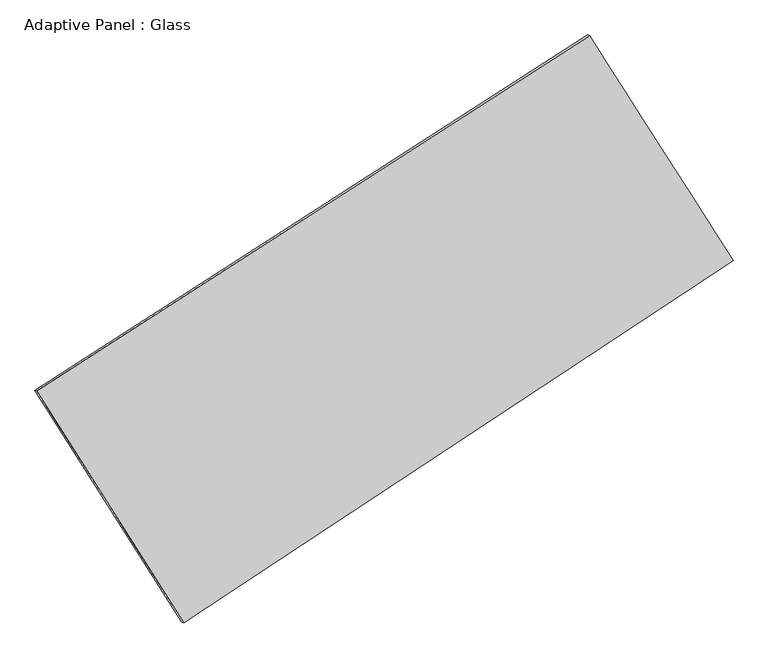
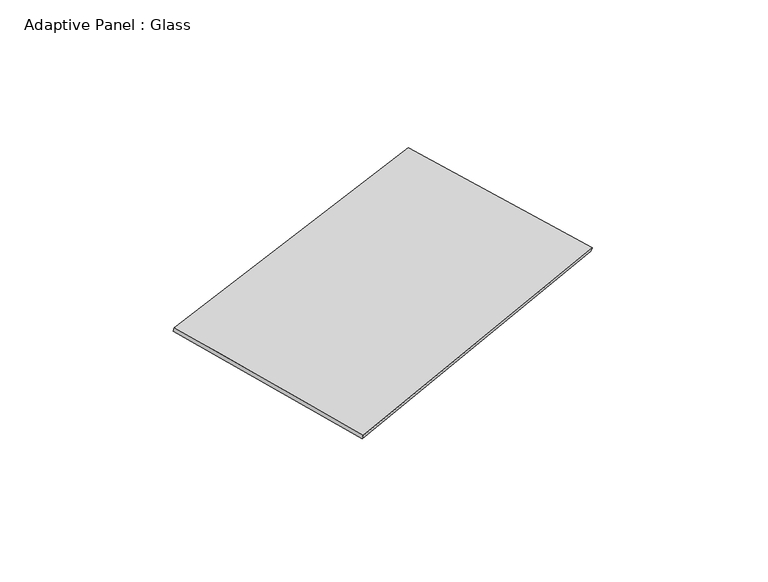
"""IFC4 building model written with IfcOpenShell, lengths in millimetres: plate geometry, Adaptive Panel : Glass."""

from ifc_helpers import new_model, si_unit, frame, origin, place, context, project, spatial, source, transform, mapped, element, save
from ifc_brep_helpers import plane_surface, spline_surface, advanced_brep


def adaptive_panel_glass_61c4516a(model_context):
    return source(origin(), model_context, "Body", "AdvancedBrep", [
        advanced_brep(
        [(1142.8037281, 2470.9899444, 648.338228), (-3723.3056142, -659.6058177, 1760.5835763), (-3708.6392584, -665.9859112, 1807.9564843), (1157.470084, 2464.6098509, 695.711136), (-2429.2642347, -2701.9999214, 1058.0070505), (-2414.5978789, -2708.3800149, 1105.3799585), (2406.4755426, 490.3672219, 18.1936655), (2421.1418985, 483.9871285, 65.5665735)],
        [
            (0, 1),
            (1, 2),
            (2, 3),
            (3, 0),
            (1, 4),
            (4, 5),
            (5, 2),
            (4, 6),
            (6, 7),
            (7, 5),
            (6, 0),
            (3, 7),
        ],
        [
            plane_surface(frame((-1290.250943, 905.6920633, 1204.4609021), z_axis=(-0.47932238246870906, 0.8378577718746537, 0.26123630638516065), x_axis=(-0.8258713434098323, -0.5313216670354448, 0.18876919842261033))),
            plane_surface(frame((-3076.2849245, -1680.8028696, 1409.2953134), z_axis=(-0.8041951394397983, -0.5688235597356599, 0.17236570305909507), x_axis=(0.5139485140630947, -0.8111683531486468, -0.27903911507609364))),
            plane_surface(frame((-11.394346, -1105.8163497, 538.100358), z_axis=(0.49124833553555325, -0.8300852438271898, -0.2638817174680801), x_axis=(0.8214264788531651, 0.5422737828196769, -0.17662866218518697))),
            plane_surface(frame((1774.6396354, 1480.6785832, 333.2659467), z_axis=(0.8045712828531814, 0.5682318730150473, -0.1725618419517986), x_axis=(-0.5195056843709205, 0.8142499904509513, 0.25905751669644234))),
            spline_surface(1, 1, [[(-3708.6392584, -665.9859112, 1807.9564843), (1157.470084, 2464.6098509, 695.711136)], [(-2414.5978789, -2708.3800149, 1105.3799585), (2421.1418985, 483.9871285, 65.5665735)]], [2, 2], [2, 2], [0.0, 1.0], [0.0, 1.0]),
            spline_surface(1, 1, [[(2406.4755426, 490.3672219, 18.1936655), (1142.8037281, 2470.9899444, 648.338228)], [(-2429.2642347, -2701.9999214, 1058.0070505), (-3723.3056142, -659.6058177, 1760.5835763)]], [2, 2], [2, 2], [0.0, 1.0], [0.0, 1.0]),
        ],
        [
            (0, [[1, 2, 3, 4]]),
            (1, [[5, 6, 7, -2]]),
            (2, [[8, 9, 10, -6]]),
            (3, [[11, -4, 12, -9]]),
            (4, [[-3, -7, -10, -12]]),
            (5, [[-11, -8, -5, -1]]),
        ],
    ),
    ])


if __name__ == "__main__":
    model = new_model("IFC4")
    model_context = context("Model", 3, world=origin())
    ifc_project = project(units=[si_unit("LENGTHUNIT", "METRE", prefix="MILLI")], contexts=[model_context])
    site = spatial("IfcSite", under=ifc_project)
    building = spatial("IfcBuilding", under=site)
    placement = place(None, origin())
    adaptive_panel_glass_shape = adaptive_panel_glass_61c4516a(model_context)
    element("IfcPlate", 1, ObjectType="Adaptive Panel : Glass", at=placement, inside=building, context=model_context, shape_type="MappedRepresentation", body=[
        mapped(adaptive_panel_glass_shape, transform((0.0, 0.0, 0.0), x_axis=(1.0, 0.0, 0.0), y_axis=(0.0, 1.0, 0.0), z_axis=(0.0, 0.0, 1.0))),
    ])
    save(model, "model.ifc")
